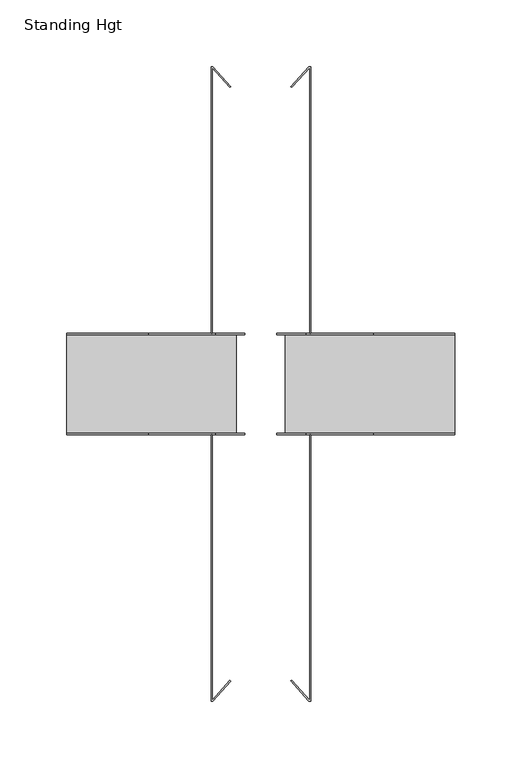
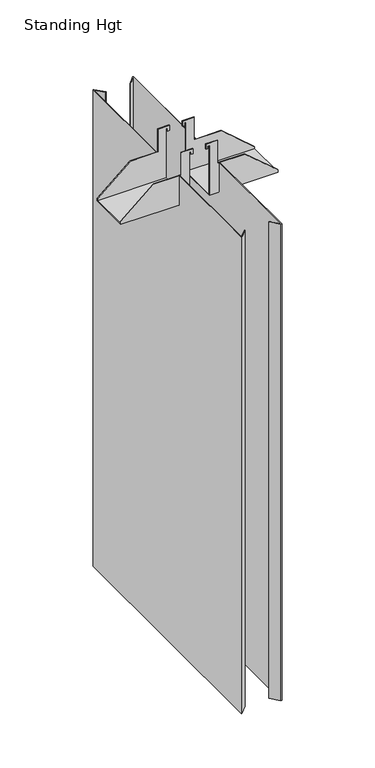
"""IFC4 building model written with IfcOpenShell, lengths in millimetres: furniture geometry, Standing Hgt."""

from ifc_helpers import new_model, si_unit, origin, place, context, project, spatial, faceted_brep, source, transform, mapped, element, save


def standing_hgt_769daec6(model_context):
    return source(origin(), model_context, "Body", "Brep", [
        faceted_brep([(-12.0396006, 38.1, 988.0384393), (-33.6295993, 38.1, 988.0384393), (-33.6295993, 36.8299989, 988.0384393), (-12.0396006, 36.8299989, 988.0384393), (-12.0396006, -36.8299989, 988.0384393), (-33.6295993, -36.8299989, 988.0384393), (-33.6295993, -38.1, 988.0384393), (-12.0396006, -38.1, 988.0384393), (-145.3895994, 38.1, 886.4384272), (-18.3896002, 38.1, 886.4384272), (-18.3896002, -38.1, 886.4384272), (-145.3895994, -38.1, 886.4384272), (-12.0396006, 38.1, 978.1324306), (-15.3415997, 38.1, 978.1324306), (-15.3415997, 38.1, 983.2124257), (-18.3896002, 38.1, 983.2124257), (-145.3895994, 38.1, 891.5184223), (-84.4234624, 38.1, 943.5883909), (-33.6295993, 38.1, 943.5883909), (-12.0396006, 36.8299989, 978.1324306), (-12.0396006, -38.1, 978.1324306), (-12.0396006, -36.8299989, 978.1324306), (-33.6295993, -38.1, 943.5883909), (-84.4234624, -38.1, 943.5883909), (-145.3895994, -38.1, 891.5184223), (-18.3896002, -38.1, 983.2124257), (-15.3415997, -38.1, 983.2124257), (-15.3415997, -38.1, 978.1324306), (-145.3895994, -36.8299989, 891.5184223), (-145.3895994, -36.8299989, 887.7084078), (-145.3895994, 36.8299989, 887.7084078), (-145.3895994, 36.8299989, 891.5184223), (-18.3896002, -36.8299989, 887.7084078), (-18.3896002, 36.8299989, 887.7084078), (-33.6295993, 36.8299989, 943.5883909), (-84.4234624, 36.8299989, 943.5883909), (-18.3896002, 36.8299989, 983.2124257), (-15.3415997, 36.8299989, 983.2124257), (-15.3415997, 36.8299989, 978.1324306), (-15.3415997, -36.8299989, 978.1324306), (-15.3415997, -36.8299989, 983.2124257), (-18.3896002, -36.8299989, 983.2124257), (-84.4234624, -36.8299989, 943.5883909), (-33.6295993, -36.8299989, 943.5883909)], [[[0, 1, 2, 3]], [[4, 5, 6, 7]], [[8, 9, 10, 11]], [[0, 12, 13, 14, 15, 9, 8, 16, 17, 18, 1]], [[3, 19, 12, 0]], [[7, 20, 21, 4]], [[6, 22, 23, 24, 11, 10, 25, 26, 27, 20, 7]], [[11, 24, 28, 29, 30, 31, 16, 8]], [[29, 32, 33, 30]], [[2, 34, 35, 31, 30, 33, 36, 37, 38, 19, 3]], [[4, 21, 39, 40, 41, 32, 29, 28, 42, 43, 5]], [[17, 16, 31, 35]], [[42, 28, 24, 23]], [[22, 6, 5, 43]], [[34, 2, 1, 18]], [[23, 22, 43, 42]], [[35, 34, 18, 17]], [[36, 33, 32, 41, 25, 10, 9, 15]], [[15, 14, 37, 36]], [[41, 40, 26, 25]], [[14, 13, 38, 37]], [[40, 39, 27, 26]], [[13, 12, 19, 38]], [[39, 21, 20, 27]]]),
        faceted_brep([(12.0396006, 38.1, 988.0384393), (12.0396006, 36.8299989, 988.0384393), (33.6295993, 36.8299989, 988.0384393), (33.6295993, 38.1, 988.0384393), (12.0396006, -36.8299989, 988.0384393), (12.0396006, -38.1, 988.0384393), (33.6295993, -38.1, 988.0384393), (33.6295993, -36.8299989, 988.0384393), (145.3895994, 38.1, 886.4384272), (145.3895994, -38.1, 886.4384272), (18.3896002, -38.1, 886.4384272), (18.3896002, 38.1, 886.4384272), (33.6295993, 38.1, 943.5883909), (84.4234624, 38.1, 943.5883909), (145.3895994, 38.1, 891.5184223), (18.3896002, 38.1, 983.2124257), (15.3415997, 38.1, 983.2124257), (15.3415997, 38.1, 978.1324306), (12.0396006, 38.1, 978.1324306), (12.0396006, 36.8299989, 978.1324306), (12.0396006, -36.8299989, 978.1324306), (12.0396006, -38.1, 978.1324306), (15.3415997, -38.1, 978.1324306), (15.3415997, -38.1, 983.2124257), (18.3896002, -38.1, 983.2124257), (145.3895994, -38.1, 891.5184223), (84.4234624, -38.1, 943.5883909), (33.6295993, -38.1, 943.5883909), (145.3895994, 36.8299989, 891.5184223), (145.3895994, 36.8299989, 887.7084078), (145.3895994, -36.8299989, 887.7084078), (145.3895994, -36.8299989, 891.5184223), (18.3896002, 36.8299989, 887.7084078), (18.3896002, -36.8299989, 887.7084078), (15.3415997, 36.8299989, 978.1324306), (15.3415997, 36.8299989, 983.2124257), (18.3896002, 36.8299989, 983.2124257), (84.4234624, 36.8299989, 943.5883909), (33.6295993, 36.8299989, 943.5883909), (33.6295993, -36.8299989, 943.5883909), (84.4234624, -36.8299989, 943.5883909), (18.3896002, -36.8299989, 983.2124257), (15.3415997, -36.8299989, 983.2124257), (15.3415997, -36.8299989, 978.1324306)], [[[0, 1, 2, 3]], [[4, 5, 6, 7]], [[8, 9, 10, 11]], [[0, 3, 12, 13, 14, 8, 11, 15, 16, 17, 18]], [[1, 0, 18, 19]], [[5, 4, 20, 21]], [[6, 5, 21, 22, 23, 24, 10, 9, 25, 26, 27]], [[9, 8, 14, 28, 29, 30, 31, 25]], [[30, 29, 32, 33]], [[2, 1, 19, 34, 35, 36, 32, 29, 28, 37, 38]], [[4, 7, 39, 40, 31, 30, 33, 41, 42, 43, 20]], [[13, 37, 28, 14]], [[40, 26, 25, 31]], [[38, 12, 3, 2]], [[27, 39, 7, 6]], [[37, 13, 12, 38]], [[26, 40, 39, 27]], [[36, 15, 11, 10, 24, 41, 33, 32]], [[15, 36, 35, 16]], [[41, 24, 23, 42]], [[16, 35, 34, 17]], [[42, 23, 22, 43]], [[17, 34, 19, 18]], [[43, 22, 21, 20]]]),
        faceted_brep([(-37.2617994, -237.4755665, 944.3821409), (-35.8815443, -237.4755665, 944.3821409), (-22.5406032, -222.6589503, 944.3821409), (-23.2102927, -222.0559591, 944.3821409), (-36.4998002, -236.8154524, 944.3821409), (-36.4998002, -38.0206239, 944.3821409), (-37.2617994, -38.0206239, 944.3821409), (-35.9716283, 237.5756149, 944.3821409), (-37.2617994, 237.5756149, 944.3821409), (-37.2617994, 38.0206239, 944.3821409), (-36.4998002, 38.0206239, 944.3821409), (-36.4998002, 236.8154524, 944.3821409), (-23.2102927, 222.0559591, 944.3821409), (-22.5406032, 222.6589503, 944.3821409), (-37.2617994, -237.4755665, 13.0911602), (-37.2617994, 237.5756149, 13.0911602), (-35.9716283, 237.5756149, 13.0911602), (-22.5406032, 222.6589503, 13.0911602), (-23.2102927, 222.0559591, 13.0911602), (-36.4998002, 236.8154524, 13.0911602), (-36.4998002, -236.8154524, 13.0911602), (-23.2102927, -222.0559591, 13.0911602), (-22.5406032, -222.6589503, 13.0911602), (-35.8815443, -237.4755665, 13.0911602), (-37.2617994, -38.0206239, 886.4384272), (-37.2617994, 38.0206239, 886.4384272), (-36.4998002, 38.0206239, 886.4384272), (-36.4998002, -38.0206239, 886.4384272)], [[[0, 1, 2, 3, 4, 5, 6]], [[7, 8, 9, 10, 11, 12, 13]], [[14, 15, 16, 17, 18, 19, 20, 21, 22, 23]], [[15, 14, 0, 6, 24, 25, 9, 8]], [[0, 14, 23, 1]], [[15, 8, 7, 16]], [[4, 20, 19, 11, 10, 26, 27, 5]], [[27, 24, 6, 5]], [[24, 27, 26, 25]], [[25, 26, 10, 9]], [[13, 17, 16, 7]], [[17, 13, 12, 18]], [[11, 19, 18, 12]], [[20, 4, 3, 21]], [[21, 3, 2, 22]], [[22, 2, 1, 23]]]),
        faceted_brep([(35.8815443, -237.4755665, 944.3821409), (37.2617994, -237.4755665, 944.3821409), (37.2617994, -38.0206239, 944.3821409), (36.4998002, -38.0206239, 944.3821409), (36.4998002, -236.8154524, 944.3821409), (22.9723257, -221.7916699, 944.3821409), (22.3026361, -222.3946611, 944.3821409), (37.2617994, 237.5756149, 944.3821409), (35.9716283, 237.5756149, 944.3821409), (22.5406032, 222.6589503, 944.3821409), (23.2102927, 222.0559591, 944.3821409), (36.4998002, 236.8154524, 944.3821409), (36.4998002, 38.0206239, 944.3821409), (37.2617994, 38.0206239, 944.3821409), (37.2617994, 237.5756149, 13.0911602), (37.2617994, -237.4755665, 13.0911602), (35.8815443, -237.4755665, 13.0911602), (22.3026361, -222.3946611, 13.0911602), (22.9723257, -221.7916699, 13.0911602), (36.4998002, -236.8154524, 13.0911602), (36.4998002, 236.8154524, 13.0911602), (23.2102927, 222.0559591, 13.0911602), (22.5406032, 222.6589503, 13.0911602), (35.9716283, 237.5756149, 13.0911602), (37.2617994, 38.0206239, 886.4384272), (37.2617994, -38.0206239, 886.4384272), (36.4998002, -38.0206239, 886.4384272), (36.4998002, 38.0206239, 886.4384272)], [[[0, 1, 2, 3, 4, 5, 6]], [[7, 8, 9, 10, 11, 12, 13]], [[14, 15, 16, 17, 18, 19, 20, 21, 22, 23]], [[15, 1, 0, 16]], [[15, 14, 7, 13, 24, 25, 2, 1]], [[7, 14, 23, 8]], [[25, 26, 3, 2]], [[26, 25, 24, 27]], [[27, 24, 13, 12]], [[11, 20, 19, 4, 3, 26, 27, 12]], [[20, 11, 10, 21]], [[21, 10, 9, 22]], [[22, 9, 8, 23]], [[6, 17, 16, 0]], [[17, 6, 5, 18]], [[4, 19, 18, 5]]]),
    ])


if __name__ == "__main__":
    model = new_model("IFC4")
    model_context = context("Model", 3, world=origin())
    ifc_project = project(units=[si_unit("LENGTHUNIT", "METRE", prefix="MILLI")], contexts=[model_context])
    site = spatial("IfcSite", under=ifc_project)
    building = spatial("IfcBuilding", under=site)
    placement = place(None, origin())
    standing_hgt_shape = standing_hgt_769daec6(model_context)
    element("IfcFurniture", 1, ObjectType="Standing Hgt", at=placement, inside=building, context=model_context, shape_type="MappedRepresentation", body=[
        mapped(standing_hgt_shape, transform((0.0, 0.0, 0.0), x_axis=(1.0, 0.0, 0.0), y_axis=(0.0, 1.0, 0.0), z_axis=(0.0, 0.0, 1.0))),
    ])
    save(model, "model.ifc")
